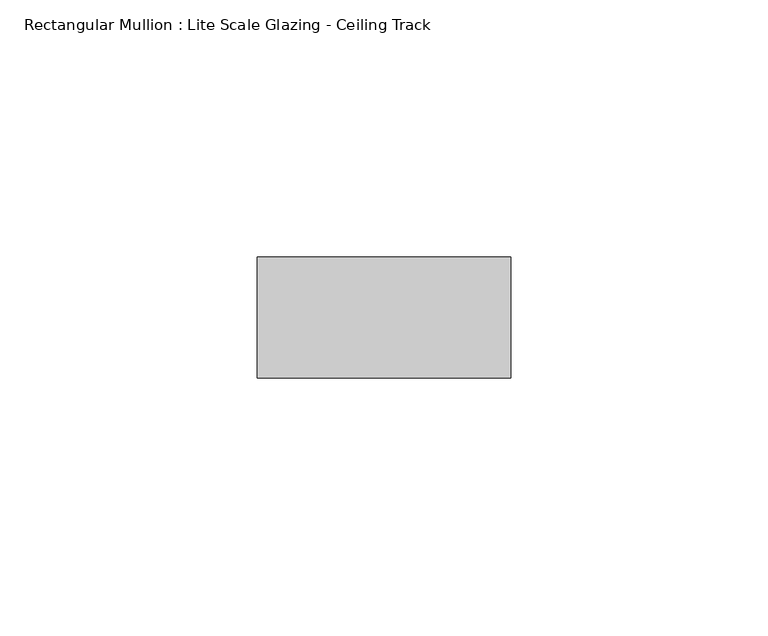
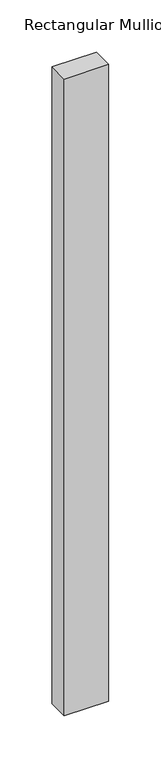
"""IFC4 building model written with IfcOpenShell, lengths in millimetres: member geometry, Rectangular Mullion : Lite Scale Glazing - Ceiling Track."""

from ifc_helpers import new_model, si_unit, frame, origin, place, context, project, spatial, polyline, outline, extrude, source, transform, mapped, element, save


def rectangular_mullion_lite_scale_glazing_ceiling_track_de5c7d06(model_context):
    return source(origin(), model_context, "Body", "SweptSolid", [
        extrude(outline(polyline([(-49.276, -11.7474999), (-49.276, 11.7474999), (0.0, 11.7474999), (0.0, -11.7474999), (-49.276, -11.7474999)])), frame((0.0, 0.0, -744.980947), z_axis=(0.0, 0.0, 1.0), x_axis=(1.0, 0.0, 0.0)), (0.0, 0.0, 1.0), 744.980947),
    ])


if __name__ == "__main__":
    model = new_model("IFC4")
    model_context = context("Model", 3, world=origin())
    ifc_project = project(units=[si_unit("LENGTHUNIT", "METRE", prefix="MILLI")], contexts=[model_context])
    site = spatial("IfcSite", under=ifc_project)
    building = spatial("IfcBuilding", under=site)
    placement = place(None, origin())
    rectangular_mullion_lite_scale_glazing_ceiling_track_shape = rectangular_mullion_lite_scale_glazing_ceiling_track_de5c7d06(model_context)
    element("IfcMember", 1, ObjectType="Rectangular Mullion : Lite Scale Glazing - Ceiling Track", at=placement, inside=building, context=model_context, shape_type="MappedRepresentation", body=[
        mapped(rectangular_mullion_lite_scale_glazing_ceiling_track_shape, transform((0.0, 0.0, 0.0), x_axis=(1.0, 0.0, 0.0), y_axis=(0.0, 1.0, 0.0), z_axis=(0.0, 0.0, 1.0))),
    ])
    save(model, "model.ifc")
